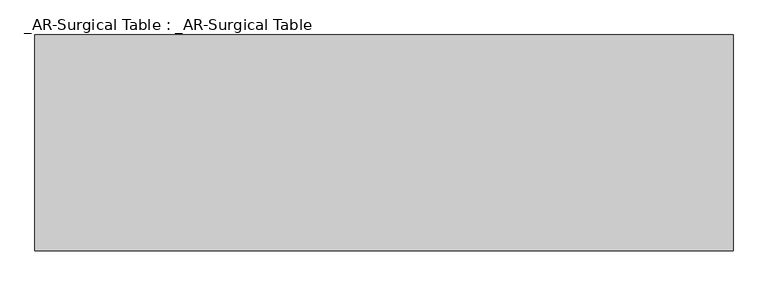
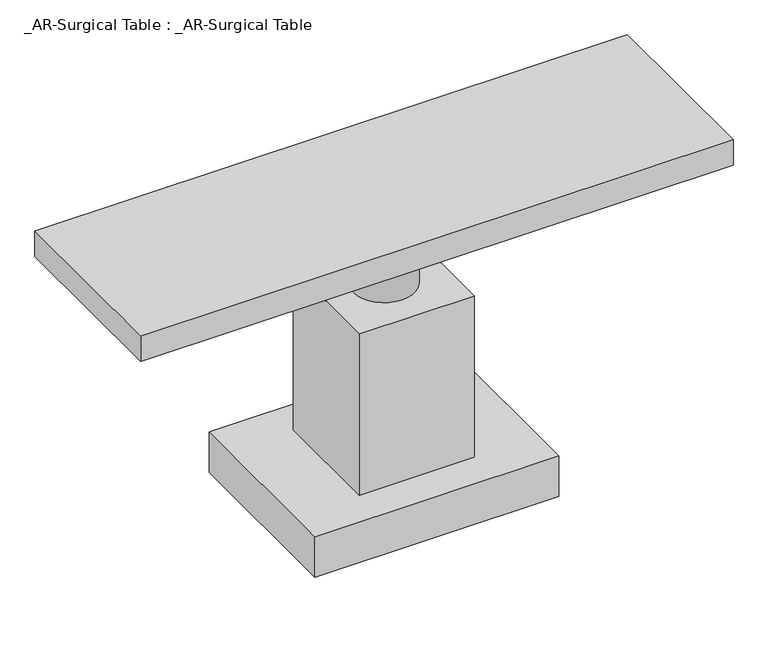
"""IFC4 building model written with IfcOpenShell, lengths in millimetres: proxy geometry, _AR-Surgical Table : _AR-Surgical Table."""

from ifc_helpers import new_model, si_unit, point, frame, origin, origin_with_axes, origin_2d, place, context, project, spatial, polyline, circle_curve, trimmed, segment, composite_curve, outline, extrude, source, transform, mapped, element, save


def ar_surgical_table_ar_surgical_table_c5be7f04(model_context):
    return source(origin(), model_context, "Body", "SweptSolid", [
        extrude(outline(composite_curve([segment(trimmed(circle_curve(origin_2d(), 76.2), [point((-76.2, 0.0))], [point((76.2, 0.0))], False, "CARTESIAN"), True, "CONTINUOUS"), segment(trimmed(circle_curve(origin_2d(), 76.2), [point((76.2, 0.0))], [point((-76.2, 0.0))], False, "CARTESIAN"), True, "CONTINUOUS")], self_intersect=False)), frame((0.0, 0.0, 533.6331459), z_axis=(0.0, 0.0, 1.0), x_axis=(1.0, 0.0, 0.0)), (0.0, 0.0, 1.0), 189.2962395),
        extrude(outline(polyline([(739.775, -228.6), (-739.775, -228.6), (-739.775, 228.6), (739.775, 228.6), (739.775, -228.6)])), frame((0.0, 0.0, 722.9293854), z_axis=(0.0, 0.0, 1.0), x_axis=(1.0, 0.0, 0.0)), (0.0, 0.0, 1.0), 67.3234356),
        extrude(outline(polyline([(107.2094828, 141.7229925), (107.2094828, 144.0270075), (533.6331459, 144.0270075), (533.6331459, -144.0270075), (107.2094828, -144.0270075), (107.2094828, 141.7229925)])), frame((0.0, -141.3344266, 0.0), z_axis=(0.0, 1.0, 0.0), x_axis=(0.0, 0.0, 1.0)), (0.0, 0.0, 1.0), 285.2101429),
        extrude(outline(polyline([(304.8, -228.0892329), (-304.8, -228.0892329), (-304.8, 228.0892329), (304.8, 228.0892329), (304.8, -228.0892329)])), origin_with_axes(), (0.0, 0.0, 1.0), 107.2094828),
    ])


if __name__ == "__main__":
    model = new_model("IFC4")
    model_context = context("Model", 3, world=origin())
    ifc_project = project(units=[si_unit("LENGTHUNIT", "METRE", prefix="MILLI")], contexts=[model_context])
    site = spatial("IfcSite", under=ifc_project)
    building = spatial("IfcBuilding", under=site)
    placement = place(None, origin())
    ar_surgical_table_ar_surgical_table_shape = ar_surgical_table_ar_surgical_table_c5be7f04(model_context)
    element("IfcBuildingElementProxy", 1, Name="_AR-Surgical Table : _AR-Surgical Table", ObjectType="_AR-Surgical Table : _AR-Surgical Table", at=placement, inside=building, context=model_context, shape_type="MappedRepresentation", body=[
        mapped(ar_surgical_table_ar_surgical_table_shape, transform((0.0, 0.0, 0.0), x_axis=(1.0, 0.0, 0.0), y_axis=(0.0, 1.0, 0.0), z_axis=(0.0, 0.0, 1.0))),
    ])
    save(model, "model.ifc")
